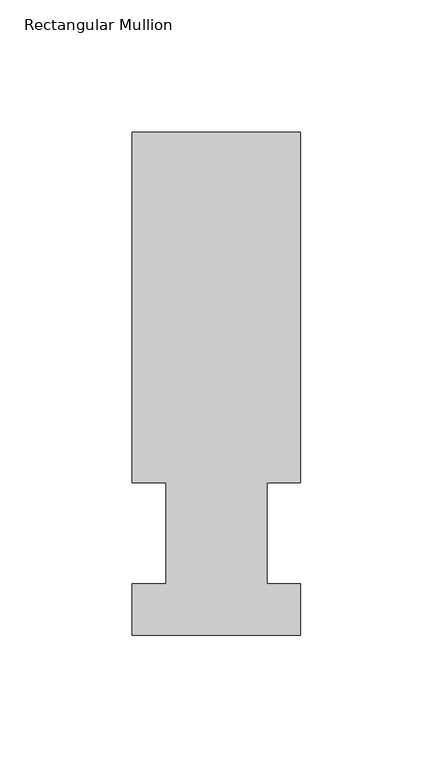
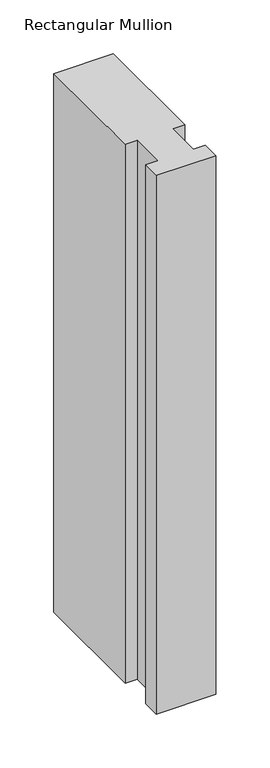
"""IFC4 building model written with IfcOpenShell, lengths in millimetres: member geometry, Rectangular Mullion."""

from ifc_helpers import new_model, si_unit, frame, origin, place, context, project, spatial, polyline, outline, extrude, source, transform, mapped, element, save


def rectangular_mullion_1361de1b(model_context):
    return source(origin(), model_context, "Body", "SweptSolid", [
        extrude(outline(polyline([(-1e-07, 0.0134937), (-63.5000001, 0.0134937), (-63.5000001, 19.5460937), (-50.8, 19.5460937), (-50.8, 57.6460937), (-63.5, 57.6460937), (-63.5, 189.8022938), (0.0, 189.8022938), (0.0, 57.6460937), (-12.6873001, 57.6460937), (-12.6873001, 19.5460937), (-1e-07, 19.5460937), (-1e-07, 0.0134937)])), frame((0.0, 0.0, -609.6), z_axis=(0.0, 0.0, 1.0), x_axis=(1.0, 0.0, 0.0)), (0.0, 0.0, 1.0), 609.6),
    ])


if __name__ == "__main__":
    model = new_model("IFC4")
    model_context = context("Model", 3, world=origin())
    ifc_project = project(units=[si_unit("LENGTHUNIT", "METRE", prefix="MILLI")], contexts=[model_context])
    site = spatial("IfcSite", under=ifc_project)
    building = spatial("IfcBuilding", under=site)
    placement = place(None, origin())
    rectangular_mullion_shape = rectangular_mullion_1361de1b(model_context)
    element("IfcMember", 1, ObjectType="Rectangular Mullion", at=placement, inside=building, context=model_context, shape_type="MappedRepresentation", body=[
        mapped(rectangular_mullion_shape, transform((0.0, 0.0, 0.0), x_axis=(1.0, 0.0, 0.0), y_axis=(0.0, 1.0, 0.0), z_axis=(0.0, 0.0, 1.0))),
    ])
    save(model, "model.ifc")
